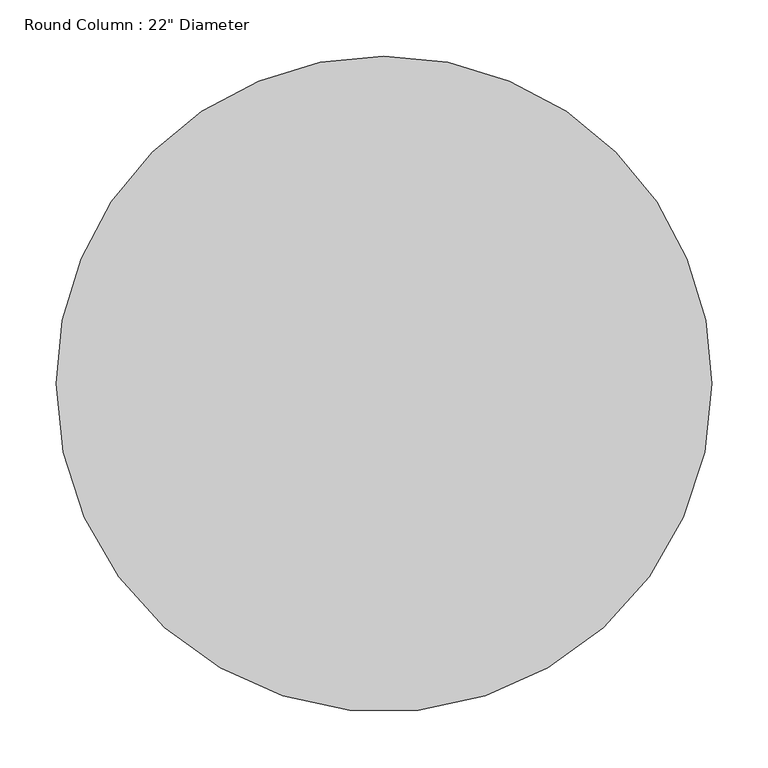
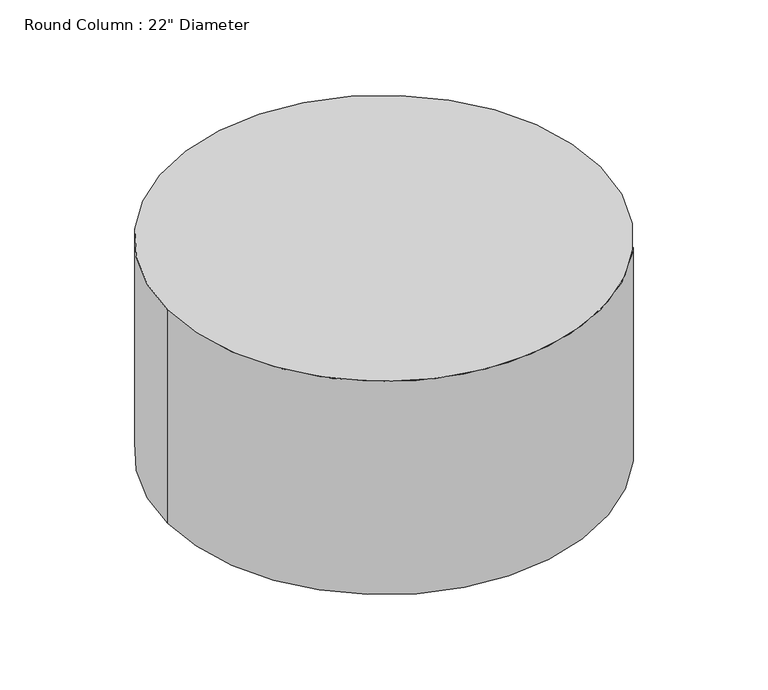
"""IFC4 building model written with IfcOpenShell, lengths in millimetres: column geometry."""

from ifc_helpers import new_model, si_unit, point, origin, origin_with_axes, origin_2d, place, context, project, spatial, circle_curve, trimmed, segment, composite_curve, outline, extrude, source, transform, mapped, element, save


def column_817b0f7c(model_context):
    return source(origin(), model_context, "Body", "SweptSolid", [
        extrude(outline(composite_curve([segment(trimmed(circle_curve(origin_2d(), 292.1), [point((292.1, 0.0))], [point((-292.1, 0.0))], False, "CARTESIAN"), True, "CONTINUOUS"), segment(trimmed(circle_curve(origin_2d(), 292.1), [point((-292.1, 0.0))], [point((0.0, 292.1))], False, "CARTESIAN"), True, "CONTINUOUS"), segment(trimmed(circle_curve(origin_2d(), 292.1), [point((0.0, 292.1))], [point((292.1, 0.0))], False, "CARTESIAN"), True, "CONTINUOUS")], self_intersect=False)), origin_with_axes(), (0.0, 0.0, 1.0), 304.8),
    ])


if __name__ == "__main__":
    model = new_model("IFC4")
    model_context = context("Model", 3, world=origin())
    ifc_project = project(units=[si_unit("LENGTHUNIT", "METRE", prefix="MILLI")], contexts=[model_context])
    site = spatial("IfcSite", under=ifc_project)
    building = spatial("IfcBuilding", under=site)
    placement = place(None, origin())
    column_shape = column_817b0f7c(model_context)
    element("IfcColumn", 1, ObjectType="Round Column : 22\" Diameter", at=placement, inside=building, context=model_context, shape_type="MappedRepresentation", body=[
        mapped(column_shape, transform((0.0, 0.0, 0.0), x_axis=(1.0, 0.0, 0.0), y_axis=(0.0, 1.0, 0.0), z_axis=(0.0, 0.0, 1.0))),
    ])
    save(model, "model.ifc")
